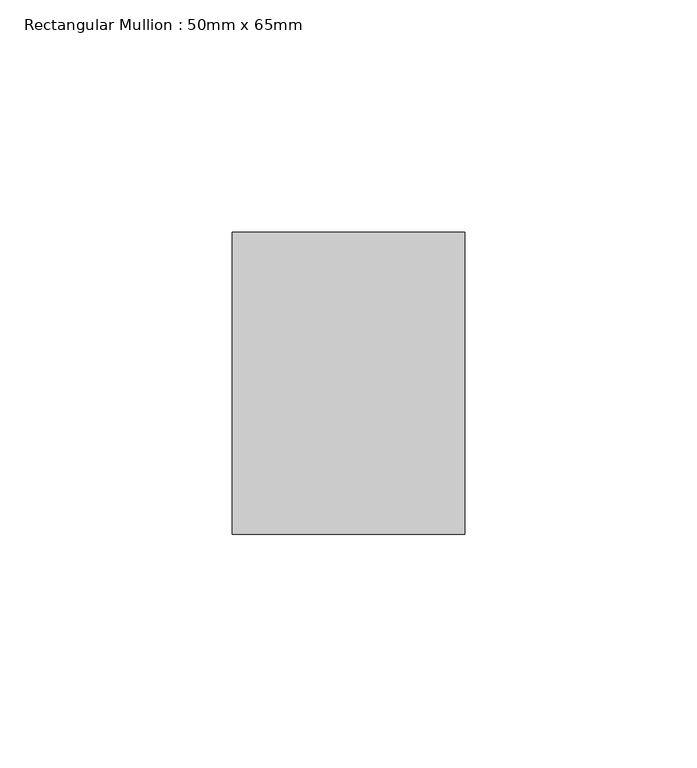
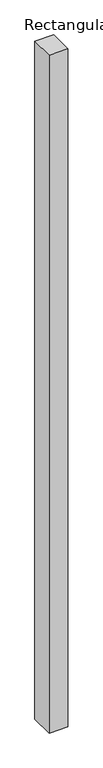
"""IFC4 building model written with IfcOpenShell, lengths in millimetres: member geometry, Rectangular Mullion : 50mm x 65mm."""

from ifc_helpers import new_model, si_unit, frame, origin, place, context, project, spatial, polyline, outline, extrude, source, transform, mapped, element, save


def rectangular_mullion_50mm_x_65mm_83bc8f56(model_context):
    return source(origin(), model_context, "Body", "SweptSolid", [
        extrude(outline(polyline([(25.0, 32.5), (25.0, -32.5), (-25.0, -32.5), (-25.0, 32.5), (25.0, 32.5)])), frame((0.0, 0.0, -1897.7009141), z_axis=(0.0, 0.0, 1.0), x_axis=(1.0, 0.0, 0.0)), (0.0, 0.0, 1.0), 1897.7009141),
    ])


if __name__ == "__main__":
    model = new_model("IFC4")
    model_context = context("Model", 3, world=origin())
    ifc_project = project(units=[si_unit("LENGTHUNIT", "METRE", prefix="MILLI")], contexts=[model_context])
    site = spatial("IfcSite", under=ifc_project)
    building = spatial("IfcBuilding", under=site)
    placement = place(None, origin())
    rectangular_mullion_50mm_x_65mm_shape = rectangular_mullion_50mm_x_65mm_83bc8f56(model_context)
    element("IfcMember", 1, ObjectType="Rectangular Mullion : 50mm x 65mm", at=placement, inside=building, context=model_context, shape_type="MappedRepresentation", body=[
        mapped(rectangular_mullion_50mm_x_65mm_shape, transform((0.0, 0.0, 0.0), x_axis=(1.0, 0.0, 0.0), y_axis=(0.0, 1.0, 0.0), z_axis=(0.0, 0.0, 1.0))),
    ])
    save(model, "model.ifc")
